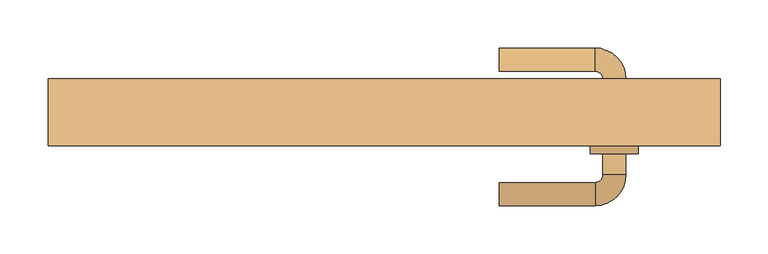
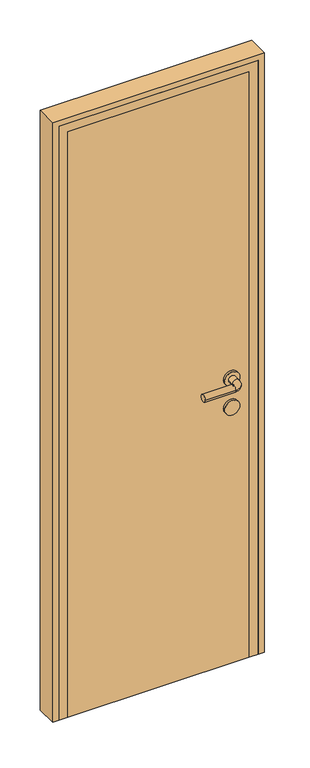
"""IFC4 building model written with IfcOpenShell, lengths in millimetres: door geometry."""

from ifc_helpers import new_model, si_unit, point, frame, frame_2d, origin, origin_with_axes, place, context, project, spatial, polyline, circle_curve, ellipse_curve, trimmed, segment, composite_curve, outline, extrude, faceted_brep, source, transform, mapped, element, save
from ifc_brep_helpers import plane_surface, cylinder_surface, revolved_surface, advanced_brep


def door_78faaf9f(model_context):
    return source(origin(), model_context, "Body", "SolidModel", [
        advanced_brep(
        [(120.0, -112.0, 1000.0), (120.0, -88.0, 1000.0), (220.0, -112.0, 1000.0), (220.0, -88.0, 1000.0), (252.0, -80.0, 1000.0), (228.0, -80.0, 1000.0), (252.0, -58.0, 1000.0), (228.0, -58.0, 1000.0), (252.0, 20.0, 1000.0), (228.0, 20.0, 1000.0), (228.0, -2.0, 1000.0), (252.0, -2.0, 1000.0), (220.0, 52.0, 1000.0), (220.0, 28.0, 1000.0), (120.0, 52.0, 1000.0), (120.0, 28.0, 1000.0), (265.0, -58.0, 1000.0), (215.0, -58.0, 1000.0), (265.0, -2.0, 1000.0), (215.0, -2.0, 1000.0)],
        [
            (0, 1, circle_curve(frame((120.0, -100.0, 1000.0), z_axis=(-1.0, 0.0, 0.0), x_axis=(0.0, 1.0, 0.0)), 12.0)),
            (1, 0, circle_curve(frame((120.0, -100.0, 1000.0), z_axis=(-1.0, 0.0, 0.0), x_axis=(0.0, 1.0, 0.0)), 12.0)),
            (0, 2),
            (2, 3, circle_curve(frame((220.0, -100.0, 1000.0), z_axis=(-1.0, 0.0, 0.0), x_axis=(0.0, 1.0, 0.0)), 12.0)),
            (3, 1),
            (3, 2, circle_curve(frame((220.0, -100.0, 1000.0), z_axis=(-1.0, 0.0, 0.0), x_axis=(0.0, 1.0, 0.0)), 12.0)),
            (2, 4, circle_curve(frame((220.0, -80.0, 1000.0), z_axis=(0.0, 0.0, 1.0), x_axis=(0.0, -1.0, 0.0)), 32.0)),
            (4, 5, circle_curve(frame((240.0, -80.0, 1000.0), z_axis=(0.0, -1.0, 0.0), x_axis=(-1.0, 0.0, 0.0)), 12.0)),
            (5, 3, circle_curve(frame((220.0, -80.0, 1000.0), z_axis=(0.0, 0.0, -1.0), x_axis=(0.0, -1.0, 0.0)), 8.0)),
            (5, 4, circle_curve(frame((240.0, -80.0, 1000.0), z_axis=(0.0, -1.0, 0.0), x_axis=(-1.0, 0.0, 0.0)), 12.0)),
            (4, 6),
            (6, 7, circle_curve(frame((240.0, -58.0, 1000.0), z_axis=(0.0, -1.0, 0.0), x_axis=(-1.0, 0.0, 0.0)), 12.0)),
            (7, 5),
            (8, 9, circle_curve(frame((240.0, 20.0, 1000.0), z_axis=(0.0, -1.0, 0.0), x_axis=(-1.0, 0.0, 0.0)), 12.0)),
            (9, 10),
            (10, 11, circle_curve(frame((240.0, -2.0, 1000.0), z_axis=(0.0, 1.0, 0.0), x_axis=(-1.0, 0.0, 0.0)), 12.0)),
            (11, 8),
            (7, 6, circle_curve(frame((240.0, -58.0, 1000.0), z_axis=(0.0, -1.0, 0.0), x_axis=(-1.0, 0.0, 0.0)), 12.0)),
            (9, 8, circle_curve(frame((240.0, 20.0, 1000.0), z_axis=(0.0, -1.0, 0.0), x_axis=(-1.0, 0.0, 0.0)), 12.0)),
            (11, 10, circle_curve(frame((240.0, -2.0, 1000.0), z_axis=(0.0, 1.0, 0.0), x_axis=(-1.0, 0.0, 0.0)), 12.0)),
            (8, 12, circle_curve(frame((220.0, 20.0, 1000.0), z_axis=(0.0, 0.0, 1.0), x_axis=(1.0, 0.0, 0.0)), 32.0)),
            (12, 13, circle_curve(frame((220.0, 40.0, 1000.0), z_axis=(1.0, 0.0, 0.0), x_axis=(0.0, -1.0, 0.0)), 12.0)),
            (13, 9, circle_curve(frame((220.0, 20.0, 1000.0), z_axis=(0.0, 0.0, -1.0), x_axis=(1.0, 0.0, 0.0)), 8.0)),
            (13, 12, circle_curve(frame((220.0, 40.0, 1000.0), z_axis=(1.0, 0.0, 0.0), x_axis=(0.0, -1.0, 0.0)), 12.0)),
            (14, 15, circle_curve(frame((120.0, 40.0, 1000.0), z_axis=(-1.0, 0.0, 0.0), x_axis=(0.0, -1.0, 0.0)), 12.0)),
            (15, 14, circle_curve(frame((120.0, 40.0, 1000.0), z_axis=(-1.0, 0.0, 0.0), x_axis=(0.0, -1.0, 0.0)), 12.0)),
            (12, 14),
            (15, 13),
            (16, 17, circle_curve(frame((240.0, -58.0, 1000.0), z_axis=(0.0, -1.0, 0.0), x_axis=(-1.0, 0.0, 0.0)), 25.0)),
            (17, 16, circle_curve(frame((240.0, -58.0, 1000.0), z_axis=(0.0, -1.0, 0.0), x_axis=(-1.0, 0.0, 0.0)), 25.0)),
            (18, 19, circle_curve(frame((240.0, -2.0, 1000.0), z_axis=(0.0, 1.0, 0.0), x_axis=(-1.0, 0.0, 0.0)), 25.0)),
            (19, 18, circle_curve(frame((240.0, -2.0, 1000.0), z_axis=(0.0, 1.0, 0.0), x_axis=(-1.0, 0.0, 0.0)), 25.0)),
            (17, 19),
            (18, 16),
        ],
        [
            plane_surface(frame((120.0, -100.0, 1000.0), z_axis=(-1.0, 0.0, 0.0), x_axis=(0.0, 0.0, 1.0))),
            cylinder_surface(frame((120.0, -100.0, 1000.0), z_axis=(-1.0, 0.0, 0.0), x_axis=(0.0, 1.0, 0.0)), 12.0),
            revolved_surface(trimmed(ellipse_curve(frame((220.0, -100.0, 1000.0), z_axis=(-1.0, 0.0, 0.0), x_axis=(0.0, 1.0, 0.0)), 12.0, 12.0), [point((220.0, -112.0, 1000.0))], [point((220.0, -88.0, 1000.0))], True, "CARTESIAN"), (220.0, -80.0, 1000.0), (0.0, 0.0, 1.0)),
            revolved_surface(trimmed(ellipse_curve(frame((220.0, -100.0, 1000.0), z_axis=(-1.0, 0.0, 0.0), x_axis=(0.0, 1.0, 0.0)), 12.0, 12.0), [point((220.0, -88.0, 1000.0))], [point((220.0, -112.0, 1000.0))], True, "CARTESIAN"), (220.0, -80.0, 1000.0), (0.0, 0.0, 1.0)),
            cylinder_surface(frame((240.0, -80.0, 1000.0), z_axis=(0.0, -1.0, 0.0), x_axis=(-1.0, 0.0, 0.0)), 12.0),
            revolved_surface(trimmed(ellipse_curve(frame((240.0, 20.0, 1000.0), z_axis=(0.0, -1.0, 0.0), x_axis=(-1.0, 0.0, 0.0)), 12.0, 12.0), [point((252.0, 20.0, 1000.0))], [point((228.0, 20.0, 1000.0))], True, "CARTESIAN"), (220.0, 20.0, 1000.0), (0.0, 0.0, 1.0)),
            revolved_surface(trimmed(ellipse_curve(frame((240.0, 20.0, 1000.0), z_axis=(0.0, -1.0, 0.0), x_axis=(-1.0, 0.0, 0.0)), 12.0, 12.0), [point((228.0, 20.0, 1000.0))], [point((252.0, 20.0, 1000.0))], True, "CARTESIAN"), (220.0, 20.0, 1000.0), (0.0, 0.0, 1.0)),
            plane_surface(frame((120.0, 40.0, 1000.0), z_axis=(-1.0, 0.0, 0.0), x_axis=(0.0, 0.0, 1.0))),
            cylinder_surface(frame((220.0, 40.0, 1000.0), z_axis=(1.0, 0.0, 0.0), x_axis=(0.0, -1.0, 0.0)), 12.0),
            plane_surface(frame((215.0, -58.0, 1000.0), z_axis=(0.0, -1.0, 0.0), x_axis=(0.0, 0.0, -1.0))),
            plane_surface(frame((215.0, -2.0, 1000.0), z_axis=(0.0, 1.0, 0.0), x_axis=(0.0, 0.0, 1.0))),
            cylinder_surface(frame((240.0, -58.0, 1000.0), z_axis=(0.0, 1.0, 0.0), x_axis=(-1.0, 0.0, 0.0)), 25.0),
        ],
        [
            (0, [[1, 2]]),
            (1, [[-1, 3, 4, 5]]),
            (1, [[-2, -5, 6, -3]]),
            (2, [[-4, 7, 8, 9]]),
            (3, [[-6, -9, 10, -7]]),
            (4, [[-8, 11, 12, 13]]),
            (4, [[14, 15, 16, 17]]),
            (4, [[-10, -13, 18, -11]]),
            (4, [[19, -17, 20, -15]]),
            (5, [[-14, 21, 22, 23]]),
            (6, [[-19, -23, 24, -21]]),
            (7, [[25, 26]]),
            (8, [[-22, 27, -26, 28]]),
            (8, [[-24, -28, -25, -27]]),
            (9, [[29, 30], [-12, -18]]),
            (10, [[31, 32], [-16, -20]]),
            (11, [[-30, 33, -31, 34]]),
            (11, [[-29, -34, -32, -33]]),
        ],
    ),
        extrude(outline(composite_curve([segment(trimmed(circle_curve(frame_2d((900.0, 240.0)), 25.0), [point((900.0, 265.0))], [point((900.0, 215.0))], False, "CARTESIAN"), True, "CONTINUOUS"), segment(trimmed(circle_curve(frame_2d((900.0, 240.0)), 25.0), [point((900.0, 215.0))], [point((900.0, 265.0))], False, "CARTESIAN"), True, "CONTINUOUS")], self_intersect=False)), frame((0.0, -58.0, 0.0), z_axis=(0.0, 1.0, 0.0), x_axis=(0.0, 0.0, 1.0)), (0.0, 0.0, 1.0), 56.0),
        extrude(outline(polyline([(300.0, -10.0), (300.0, -50.0), (-300.0, -50.0), (-300.0, -10.0), (300.0, -10.0)])), origin_with_axes(), (0.0, 0.0, 1.0), 2050.0),
        extrude(outline(polyline([(0.0, 350.0), (2100.0, 350.0), (2100.0, -350.0), (0.0, -350.0), (0.0, -330.0), (2080.0, -330.0), (2080.0, 330.0), (0.0, 330.0), (0.0, 350.0)])), frame((0.0, -50.0, 0.0), z_axis=(0.0, 1.0, 0.0), x_axis=(0.0, 0.0, 1.0)), (0.0, 0.0, 1.0), 70.0),
        faceted_brep([(-330.0, 20.0, 0.0), (-290.0, 20.0, 0.0), (-290.0, -10.0, 0.0), (-300.0, -10.0, 0.0), (-300.0, -50.0, 0.0), (-330.0, -50.0, 0.0), (-330.0, -50.0, 2080.0), (-330.0, 20.0, 2080.0), (-300.0, -50.0, 2050.0), (300.0, -50.0, 2050.0), (300.0, -50.0, 0.0), (330.0, -50.0, 0.0), (330.0, -50.0, 2080.0), (-300.0, -10.0, 2050.0), (-290.0, -10.0, 2040.0), (290.0, -10.0, 2040.0), (290.0, -10.0, 0.0), (300.0, -10.0, 0.0), (300.0, -10.0, 2050.0), (-290.0, 20.0, 2040.0), (330.0, 20.0, 2080.0), (330.0, 20.0, 0.0), (290.0, 20.0, 0.0), (290.0, 20.0, 2040.0)], [[[0, 1, 2, 3, 4, 5]], [[5, 6, 7, 0]], [[4, 8, 9, 10, 11, 12, 6, 5]], [[3, 13, 8, 4]], [[2, 14, 15, 16, 17, 18, 13, 3]], [[1, 19, 14, 2]], [[0, 7, 20, 21, 22, 23, 19, 1]], [[6, 12, 20, 7]], [[13, 18, 9, 8]], [[19, 23, 15, 14]], [[21, 11, 10, 17, 16, 22]], [[12, 11, 21, 20]], [[18, 17, 10, 9]], [[23, 22, 16, 15]]]),
    ])


if __name__ == "__main__":
    model = new_model("IFC4")
    model_context = context("Model", 3, world=origin())
    ifc_project = project(units=[si_unit("LENGTHUNIT", "METRE", prefix="MILLI")], contexts=[model_context])
    site = spatial("IfcSite", under=ifc_project)
    building = spatial("IfcBuilding", under=site)
    placement = place(None, origin())
    door_shape = door_78faaf9f(model_context)
    element("IfcDoor", 1, at=placement, inside=building, context=model_context, shape_type="MappedRepresentation", body=[
        mapped(door_shape, transform((0.0, 0.0, 0.0), x_axis=(1.0, 0.0, 0.0), y_axis=(0.0, 1.0, 0.0), z_axis=(0.0, 0.0, 1.0))),
    ])
    save(model, "model.ifc")
